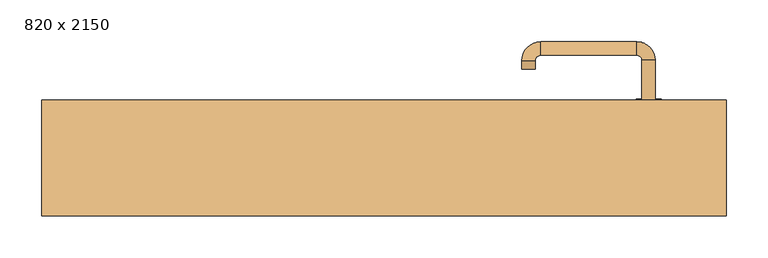
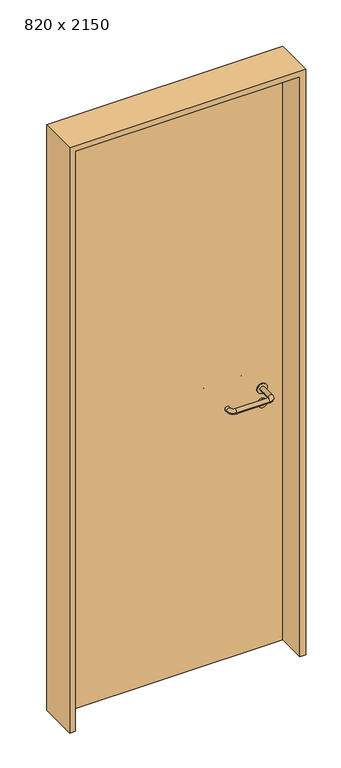
"""IFC4 building model written with IfcOpenShell, lengths in millimetres: door geometry, 820 x 2150."""

import ifcopenshell
import ifcopenshell.guid

model = None  # the IFC model being written
_history = None  # IfcOwnerHistory: only IFC2X3 demands one
_inside = {}  # id of a spatial element -> (the spatial element, [elements in it])
_under = {}  # id of a project, library or spatial element -> (it, [spatial elements below it])
_declared = {}  # id of a project -> (the project, [libraries it declares])
_typed = {}  # id of a type object -> (the type object, [elements of that type])
_made_of = {}  # id of a material, layer set ... -> (it, [elements and type objects made of it])


def new_model(schema):
    """Start an empty IFC model of exactly this schema.

    Asked for "IFC4X3", IfcOpenShell would pick the latest addendum, in which some entities
    have other attributes; the version numbers below select the first issue.
    IFC2X3 requires an IfcOwnerHistory on every rooted entity: one is made here for all.
    """
    global model, _history
    if schema == "IFC4X3":
        model = ifcopenshell.file(schema_version=(4, 3, 0, 0))
    else:
        model = ifcopenshell.file(schema=schema)
    _inside.clear()
    _under.clear()
    _declared.clear()
    _typed.clear()
    _made_of.clear()
    _history = None
    if model.schema == "IFC2X3":
        org = make("IfcOrganization", Name="unknown")
        user = make(
            "IfcPersonAndOrganization",
            ThePerson=make("IfcPerson", FamilyName="unknown"),
            TheOrganization=org,
        )
        app = make(
            "IfcApplication",
            ApplicationDeveloper=org,
            Version="unknown",
            ApplicationFullName="unknown",
            ApplicationIdentifier="unknown",
        )
        _history = make(
            "IfcOwnerHistory",
            OwningUser=user,
            OwningApplication=app,
            ChangeAction="ADDED",
            CreationDate=0,
        )
    return model


def make(cls, **values):
    """One entity of the class cls with the attributes given. An attribute that is None is left unset."""
    return model.create_entity(
        cls, **{name: value for name, value in values.items() if value is not None}
    )


def rooted(cls, **values):
    """An entity with a GlobalId (a new one), such as an element, a storey or a relation."""
    return make(cls, GlobalId=ifcopenshell.guid.new(), OwnerHistory=_history, **values)


def si_unit(unit_type, name, prefix=None):
    """IfcSIUnit, for example si_unit("LENGTHUNIT", "METRE", prefix="MILLI")."""
    return make("IfcSIUnit", UnitType=unit_type, Prefix=prefix, Name=name)


def assignment(units):
    """IfcUnitAssignment: the units of a project."""
    return None if units is None else make("IfcUnitAssignment", Units=units)


def point(xyz):
    """IfcCartesianPoint."""
    return None if xyz is None else make("IfcCartesianPoint", Coordinates=xyz)


def direction(xyz):
    """IfcDirection."""
    return None if xyz is None else make("IfcDirection", DirectionRatios=xyz)


def frame(location, z_axis=None, x_axis=None):
    """IfcAxis2Placement3D, a coordinate frame: its origin and axes. An axis left out is left unset."""
    return make(
        "IfcAxis2Placement3D",
        Location=point(location),
        Axis=direction(z_axis),
        RefDirection=direction(x_axis),
    )


def frame_2d(location, x_axis=None):
    """IfcAxis2Placement2D, a coordinate frame in the plane: its origin and x axis."""
    return make(
        "IfcAxis2Placement2D", Location=point(location), RefDirection=direction(x_axis)
    )


def origin():
    """The frame at (0, 0, 0) with its axes left unset."""
    return frame((0.0, 0.0, 0.0))


def origin_with_axes():
    """The frame at (0, 0, 0) with the z axis (0, 0, 1) and the x axis (1, 0, 0) written out."""
    return frame((0.0, 0.0, 0.0), z_axis=(0.0, 0.0, 1.0), x_axis=(1.0, 0.0, 0.0))


def place(relative_to, where):
    """IfcLocalPlacement: puts the frame where relative to a parent placement (None: the world)."""
    return make(
        "IfcLocalPlacement", PlacementRelTo=relative_to, RelativePlacement=where
    )


def context(
    kind, dimensions, precision=None, world=None, true_north=None, identifier=None
):
    """IfcGeometricRepresentationContext, for example the 3D "Model" context."""
    return make(
        "IfcGeometricRepresentationContext",
        ContextIdentifier=identifier,
        ContextType=kind,
        CoordinateSpaceDimension=dimensions,
        Precision=precision,
        WorldCoordinateSystem=world,
        TrueNorth=true_north,
    )


def project(units=None, contexts=None):
    """IfcProject with its units and contexts."""
    return rooted(
        "IfcProject",
        Name="project",
        RepresentationContexts=contexts,
        UnitsInContext=assignment(units),
    )


def spatial(cls, under=None, at=None, **own):
    """A site, building, storey or space (cls), placed at a placement, below another one or the project."""
    s = rooted(cls, ObjectPlacement=at, **own)
    if under is not None:
        _under.setdefault(under.id(), (under, []))[1].append(s)
    return s


def polyline(points):
    """IfcPolyline through the points."""
    return make("IfcPolyline", Points=[point(p) for p in points])


def circle_curve(where, radius):
    """IfcCircle in the frame where."""
    return make("IfcCircle", Position=where, Radius=radius)


def ellipse_curve(where, semi_axis1, semi_axis2):
    """IfcEllipse in the frame where."""
    return make(
        "IfcEllipse", Position=where, SemiAxis1=semi_axis1, SemiAxis2=semi_axis2
    )


def trimmed(basis, trim1, trim2, sense, master):
    """IfcTrimmedCurve: the piece of a basis curve between two trims."""
    return make(
        "IfcTrimmedCurve",
        BasisCurve=basis,
        Trim1=trim1,
        Trim2=trim2,
        SenseAgreement=sense,
        MasterRepresentation=master,
    )


def segment(curve, same_sense, transition):
    """IfcCompositeCurveSegment."""
    return make(
        "IfcCompositeCurveSegment",
        Transition=transition,
        SameSense=same_sense,
        ParentCurve=curve,
    )


def composite_curve(segments, self_intersect=None):
    """IfcCompositeCurve: segments joined end to end."""
    return make("IfcCompositeCurve", Segments=segments, SelfIntersect=self_intersect)


def outline(outer, holes=None, kind="AREA"):
    """IfcArbitraryClosedProfileDef: a profile drawn as a closed curve; with holes, ...WithVoids."""
    if holes is None:
        return make("IfcArbitraryClosedProfileDef", ProfileType=kind, OuterCurve=outer)
    return make(
        "IfcArbitraryProfileDefWithVoids",
        ProfileType=kind,
        OuterCurve=outer,
        InnerCurves=holes,
    )


def extrude(swept, where, along, depth):
    """IfcExtrudedAreaSolid: the profile swept, set in the frame where, extruded along a direction by depth."""
    return make(
        "IfcExtrudedAreaSolid",
        SweptArea=swept,
        Position=where,
        ExtrudedDirection=direction(along),
        Depth=depth,
    )


def shape(context_of_items, identifier, shape_type, items):
    """IfcShapeRepresentation: the items that make up one representation, for example the "Body"."""
    return make(
        "IfcShapeRepresentation",
        ContextOfItems=context_of_items,
        RepresentationIdentifier=identifier,
        RepresentationType=shape_type,
        Items=items,
    )


def source(mapping_origin, context_of_items, identifier, shape_type, items):
    """IfcRepresentationMap: a shape defined once, which mapped items show again and again."""
    return make(
        "IfcRepresentationMap",
        MappingOrigin=mapping_origin,
        MappedRepresentation=shape(context_of_items, identifier, shape_type, items),
    )


def transform(
    local_origin,
    x_axis=None,
    y_axis=None,
    z_axis=None,
    scale=None,
    scale2=None,
    scale3=None,
    uniform=True,
):
    """IfcCartesianTransformationOperator3D, or its non-uniform kind. x_axis, y_axis, z_axis: its Axis1, 2, 3."""
    if uniform:
        return make(
            "IfcCartesianTransformationOperator3D",
            Axis1=direction(x_axis),
            Axis2=direction(y_axis),
            LocalOrigin=point(local_origin),
            Scale=scale,
            Axis3=direction(z_axis),
        )
    return make(
        "IfcCartesianTransformationOperator3DnonUniform",
        Axis1=direction(x_axis),
        Axis2=direction(y_axis),
        LocalOrigin=point(local_origin),
        Scale=scale,
        Axis3=direction(z_axis),
        Scale2=scale2,
        Scale3=scale3,
    )


def mapped(mapping_source, mapping_target):
    """IfcMappedItem: shows the shape of a source again, moved by a transform."""
    return make(
        "IfcMappedItem", MappingSource=mapping_source, MappingTarget=mapping_target
    )


def made_of(thing, what):
    """Note that an element or type object is made of a material, layer set ...; save() writes the relation."""
    if what is not None:
        _made_of.setdefault(what.id(), (what, []))[1].append(thing)
    return thing


def element(
    cls,
    number,
    at=None,
    inside=None,
    cuts=None,
    type_object=None,
    material=None,
    context=None,
    identifier="Body",
    shape_type=None,
    held_by="IfcProductDefinitionShape",
    body=None,
    shapes=None,
    **own,
):
    """One element of the class cls, such as IfcWall. Its Tag is "e" and its number.

    at: its placement. inside: the storey or other place that contains it. cuts: it is an
    opening in that element (IfcRelVoidsElement). A single representation is given by context,
    identifier, shape_type and body (its items); several are given by shapes. held_by: the class
    of the entity that holds the representations. save() writes the other relations.
    """
    e = rooted(cls, Tag="e%d" % number, ObjectPlacement=at, **own)
    if body is not None:
        shapes = [shape(context, identifier, shape_type, body)]
    if shapes is not None:
        e.Representation = make(held_by, Representations=shapes)
    if inside is not None:
        _inside.setdefault(inside.id(), (inside, []))[1].append(e)
    if cuts is not None:
        rooted(
            "IfcRelVoidsElement", RelatingBuildingElement=cuts, RelatedOpeningElement=e
        )
    if type_object is not None:
        _typed.setdefault(type_object.id(), (type_object, []))[1].append(e)
    return made_of(e, material)


def aggregate(whole, parts):
    """IfcRelAggregates: a whole, such as a stair, and the parts it consists of."""
    return rooted("IfcRelAggregates", RelatingObject=whole, RelatedObjects=parts)


def save(model, path):
    """Write the relations noted so far, then the file.

    IfcRelAggregates (storeys below a building ...), IfcRelContainedInSpatialStructure (elements
    in a storey), IfcRelDefinesByType, IfcRelAssociatesMaterial and IfcRelDeclares: one each for
    every whole, place, type object, material and project.
    """
    for whole, parts in _under.values():
        aggregate(whole, parts)
    for where, things in _inside.values():
        rooted(
            "IfcRelContainedInSpatialStructure",
            RelatedElements=things,
            RelatingStructure=where,
        )
    for kind, things in _typed.values():
        rooted("IfcRelDefinesByType", RelatedObjects=things, RelatingType=kind)
    for what, things in _made_of.values():
        rooted("IfcRelAssociatesMaterial", RelatedObjects=things, RelatingMaterial=what)
    for by, libraries in _declared.values():
        rooted("IfcRelDeclares", RelatingContext=by, RelatedDefinitions=libraries)
    model.write(path)


def plane_surface(at):
    """IfcPlane: the flat surface through the origin of the frame at, square to its z axis."""
    return make("IfcPlane", Position=at)


def cylinder_surface(at, radius):
    """IfcCylindricalSurface: all points at the distance radius from the z axis of the frame at."""
    return make("IfcCylindricalSurface", Position=at, Radius=radius)


def revolved_surface(curve, axis_point, axis_direction):
    """IfcSurfaceOfRevolution: the curve turned about the line through axis_point along axis_direction."""
    return make(
        "IfcSurfaceOfRevolution",
        SweptCurve=make("IfcArbitraryOpenProfileDef", ProfileType="CURVE", Curve=curve),
        AxisPosition=make("IfcAxis1Placement", Location=point(axis_point), Axis=direction(axis_direction)),
    )


def advanced_brep(points, edges, surfaces, faces):
    """IfcAdvancedBrep: a solid bounded by faces that lie on surfaces and meet in shared edges.

    An edge is (start, end): straight between two places in points (the first is 0);
    or (start, end, curve); or (start, end, curve, False) where it runs against its curve.
    A face is (place in surfaces, loops), or (place, loops, False) where it looks against
    its surface's normal. A loop lists edges by number (the first is 1), with a minus sign
    where the edge is run from its end to its start. The first loop is the outer one.
    """
    corners = [point(p) for p in points]
    vertices = [make("IfcVertexPoint", VertexGeometry=c) for c in corners]
    made = []
    for start, end, *more in edges:
        made.append(
            make(
                "IfcEdgeCurve",
                EdgeStart=vertices[start],
                EdgeEnd=vertices[end],
                EdgeGeometry=more[0] if more else make("IfcPolyline", Points=[corners[start], corners[end]]),
                SameSense=more[1] if len(more) > 1 else True,
            )
        )
    hull = []
    for where, loops, *sense in faces:
        bounds = []
        for j, loop in enumerate(loops):
            ring = [make("IfcOrientedEdge", EdgeElement=made[abs(k) - 1], Orientation=k > 0) for k in loop]
            bounds.append(
                make(
                    "IfcFaceOuterBound" if j == 0 else "IfcFaceBound",
                    Bound=make("IfcEdgeLoop", EdgeList=ring),
                    Orientation=True,
                )
            )
        hull.append(make("IfcAdvancedFace", Bounds=bounds, FaceSurface=surfaces[where], SameSense=sense[0] if sense else True))
    return make("IfcAdvancedBrep", Outer=make("IfcClosedShell", CfsFaces=hull))


def door_820_x_2150_dbe8666d(model_context):
    return source(origin(), model_context, "Body", "SolidModel", [
        extrude(outline(composite_curve([segment(trimmed(circle_curve(frame_2d((897.3605726, 317.0)), 15.0), [point((897.3605726, 332.0))], [point((897.3605726, 302.0))], False, "CARTESIAN"), True, "CONTINUOUS"), segment(trimmed(circle_curve(frame_2d((897.3605726, 317.0)), 15.0), [point((897.3605726, 302.0))], [point((897.3605726, 332.0))], False, "CARTESIAN"), True, "CONTINUOUS")], self_intersect=False), holes=[composite_curve([segment(trimmed(circle_curve(frame_2d((892.5833211, 316.9398032)), 2.0), [point((892.5833211, 318.9398032))], [point((892.5833211, 314.9398032))], True, "CARTESIAN"), True, "CONTINUOUS"), segment(polyline([(892.5833211, 314.9398032), (902.5833211, 314.9398032)]), True, "CONTINUOUS"), segment(trimmed(circle_curve(frame_2d((902.5833211, 316.9398032)), 2.0), [point((902.5833211, 314.9398032))], [point((902.5833211, 318.9398032))], True, "CARTESIAN"), True, "CONTINUOUS"), segment(polyline([(902.5833211, 318.9398032), (892.5833211, 318.9398032)]), True, "CONTINUOUS")], self_intersect=False)]), frame((0.0, 28.65, 0.0), z_axis=(0.0, 1.0, 0.0), x_axis=(0.0, 0.0, 1.0)), (0.0, 0.0, 1.0), 6.35),
        extrude(outline(composite_curve([segment(trimmed(circle_curve(frame_2d((950.0, 317.0)), 17.526), [point((950.0, 334.526))], [point((950.0, 299.474))], False, "CARTESIAN"), True, "CONTINUOUS"), segment(trimmed(circle_curve(frame_2d((950.0, 317.0)), 17.526), [point((950.0, 299.474))], [point((950.0, 334.526))], False, "CARTESIAN"), True, "CONTINUOUS")], self_intersect=False)), frame((0.0, 31.825, 0.0), z_axis=(0.0, 1.0, 0.0), x_axis=(0.0, 0.0, 1.0)), (0.0, 0.0, 1.0), 3.175),
        advanced_brep(
        [(325.0, 35.0, 950.0), (309.0, 35.0, 950.0), (309.0, -18.0, 950.0), (325.0, -18.0, 950.0), (302.8578644, -24.1421356, 950.0), (302.8578644, -40.1421356, 950.0), (187.8578644, -24.1421356, 950.0), (187.8578644, -40.1421356, 950.0), (181.008622, -17.2928932, 950.0), (165.008622, -17.2928932, 950.0), (165.008622, -7.2928932, 950.0), (181.008622, -7.2928932, 950.0)],
        [
            (0, 1, circle_curve(frame((317.0, 35.0, 950.0), z_axis=(0.0, 1.0, 0.0), x_axis=(-1.0, 0.0, 0.0)), 8.0)),
            (1, 0, circle_curve(frame((317.0, 35.0, 950.0), z_axis=(0.0, 1.0, 0.0), x_axis=(-1.0, 0.0, 0.0)), 8.0)),
            (1, 2),
            (2, 3, circle_curve(frame((317.0, -18.0, 950.0), z_axis=(0.0, 1.0, 0.0), x_axis=(-1.0, 0.0, 0.0)), 8.0)),
            (3, 0),
            (3, 2, circle_curve(frame((317.0, -18.0, 950.0), z_axis=(0.0, 1.0, 0.0), x_axis=(-1.0, 0.0, 0.0)), 8.0)),
            (4, 5, circle_curve(frame((302.8578644, -32.1421356, 950.0), z_axis=(1.0, 0.0, 0.0), x_axis=(0.0, 1.0, 0.0)), 8.0)),
            (5, 3, circle_curve(frame((302.8578644, -18.0, 950.0), z_axis=(0.0, 0.0, 1.0), x_axis=(1.0, 0.0, 0.0)), 22.1421356)),
            (2, 4, circle_curve(frame((302.8578644, -18.0, 950.0), z_axis=(0.0, 0.0, -1.0), x_axis=(1.0, 0.0, 0.0)), 6.1421356)),
            (5, 4, circle_curve(frame((302.8578644, -32.1421356, 950.0), z_axis=(1.0, 0.0, 0.0), x_axis=(0.0, 1.0, 0.0)), 8.0)),
            (4, 6),
            (6, 7, circle_curve(frame((187.8578644, -32.1421356, 950.0), z_axis=(1.0, 0.0, 0.0), x_axis=(0.0, 1.0, 0.0)), 8.0)),
            (7, 5),
            (7, 6, circle_curve(frame((187.8578644, -32.1421356, 950.0), z_axis=(1.0, 0.0, 0.0), x_axis=(0.0, 1.0, 0.0)), 8.0)),
            (8, 9, circle_curve(frame((173.008622, -17.2928932, 950.0), z_axis=(0.0, -1.0, 0.0), x_axis=(1.0, 0.0, 0.0)), 8.0)),
            (9, 7, circle_curve(frame((187.8578644, -17.2928932, 950.0), z_axis=(0.0, 0.0, 1.0), x_axis=(0.0, -1.0, 0.0)), 22.8492424)),
            (6, 8, circle_curve(frame((187.8578644, -17.2928932, 950.0), z_axis=(0.0, 0.0, -1.0), x_axis=(0.0, -1.0, 0.0)), 6.8492424)),
            (9, 8, circle_curve(frame((173.008622, -17.2928932, 950.0), z_axis=(0.0, -1.0, 0.0), x_axis=(1.0, 0.0, 0.0)), 8.0)),
            (10, 11, circle_curve(frame((173.008622, -7.2928932, 950.0), z_axis=(0.0, 1.0, 0.0), x_axis=(1.0, 0.0, 0.0)), 8.0)),
            (11, 10, circle_curve(frame((173.008622, -7.2928932, 950.0), z_axis=(0.0, 1.0, 0.0), x_axis=(1.0, 0.0, 0.0)), 8.0)),
            (8, 11),
            (10, 9),
        ],
        [
            plane_surface(frame((317.0, 35.0, 0.0), z_axis=(0.0, 1.0, 0.0), x_axis=(0.0, 0.0, 1.0))),
            cylinder_surface(frame((317.0, 35.0, 950.0), z_axis=(0.0, 1.0, 0.0), x_axis=(-1.0, 0.0, 0.0)), 8.0),
            revolved_surface(trimmed(ellipse_curve(frame((317.0, -18.0, 950.0), z_axis=(0.0, -1.0, 0.0), x_axis=(-1.0, 0.0, 0.0)), 8.0, 8.0), [point((325.0, -18.0, 950.0))], [point((309.0, -18.0, 950.0))], True, "CARTESIAN"), (302.8578644, -18.0, 0.0), (0.0, 0.0, 1.0)),
            revolved_surface(trimmed(ellipse_curve(frame((317.0, -18.0, 950.0), z_axis=(0.0, -1.0, 0.0), x_axis=(-1.0, 0.0, 0.0)), 8.0, 8.0), [point((309.0, -18.0, 950.0))], [point((325.0, -18.0, 950.0))], True, "CARTESIAN"), (302.8578644, -18.0, 0.0), (0.0, 0.0, 1.0)),
            cylinder_surface(frame((302.8578644, -32.1421356, 950.0), z_axis=(1.0, 0.0, 0.0), x_axis=(0.0, 1.0, 0.0)), 8.0),
            revolved_surface(trimmed(ellipse_curve(frame((187.8578644, -32.1421356, 950.0), z_axis=(-1.0, 0.0, 0.0), x_axis=(0.0, 1.0, 0.0)), 8.0, 8.0), [point((187.8578644, -40.1421356, 950.0))], [point((187.8578644, -24.1421356, 950.0))], True, "CARTESIAN"), (187.8578644, -17.2928932, 0.0), (0.0, 0.0, 1.0)),
            revolved_surface(trimmed(ellipse_curve(frame((187.8578644, -32.1421356, 950.0), z_axis=(-1.0, 0.0, 0.0), x_axis=(0.0, 1.0, 0.0)), 8.0, 8.0), [point((187.8578644, -24.1421356, 950.0))], [point((187.8578644, -40.1421356, 950.0))], True, "CARTESIAN"), (187.8578644, -17.2928932, 0.0), (0.0, 0.0, 1.0)),
            plane_surface(frame((173.008622, -7.2928932, 0.0), z_axis=(0.0, 1.0, 0.0), x_axis=(0.0, 0.0, 1.0))),
            cylinder_surface(frame((173.008622, -17.2928932, 950.0), z_axis=(0.0, -1.0, 0.0), x_axis=(1.0, 0.0, 0.0)), 8.0),
        ],
        [
            (0, [[1, 2]]),
            (1, [[3, 4, 5, -2]]),
            (1, [[-5, 6, -3, -1]]),
            (2, [[7, 8, -4, 9]]),
            (3, [[10, -9, -6, -8]]),
            (4, [[11, 12, 13, -7]]),
            (4, [[-13, 14, -11, -10]]),
            (5, [[15, 16, -12, 17]]),
            (6, [[18, -17, -14, -16]]),
            (7, [[19, 20]]),
            (8, [[21, -19, 22, -15]]),
            (8, [[-22, -20, -21, -18]]),
        ],
    ),
        extrude(outline(composite_curve([segment(trimmed(circle_curve(frame_2d((0.0, -15.0)), 15.0), [point((0.0, -30.0))], [point((0.0, 0.0))], False, "CARTESIAN"), True, "CONTINUOUS"), segment(trimmed(circle_curve(frame_2d((0.0, -15.0)), 15.0), [point((0.0, 0.0))], [point((0.0, -30.0))], False, "CARTESIAN"), True, "CONTINUOUS")], self_intersect=False), holes=[composite_curve([segment(trimmed(circle_curve(frame_2d((4.7772515, -14.9398032)), 2.0), [point((4.7772515, -16.9398032))], [point((4.7772515, -12.9398032))], True, "CARTESIAN"), True, "CONTINUOUS"), segment(polyline([(4.7772515, -12.9398032), (-5.2227485, -12.9398032)]), True, "CONTINUOUS"), segment(trimmed(circle_curve(frame_2d((-5.2227485, -14.9398032)), 2.0), [point((-5.2227485, -12.9398032))], [point((-5.2227485, -16.9398032))], True, "CARTESIAN"), True, "CONTINUOUS"), segment(polyline([(-5.2227485, -16.9398032), (4.7772515, -16.9398032)]), True, "CONTINUOUS")], self_intersect=False)]), frame((302.0, 65.0, 897.3605726), z_axis=(1.8870575173328306e-12, 1.0, 0.0), x_axis=(0.0, 0.0, -1.0)), (0.0, 0.0, 1.0), 6.35),
        extrude(outline(composite_curve([segment(trimmed(circle_curve(frame_2d((0.0, -17.526)), 17.526), [point((0.0, -35.052))], [point((0.0, 0.0))], False, "CARTESIAN"), True, "CONTINUOUS"), segment(trimmed(circle_curve(frame_2d((0.0, -17.526)), 17.526), [point((0.0, 0.0))], [point((0.0, -35.052))], False, "CARTESIAN"), True, "CONTINUOUS")], self_intersect=False)), frame((299.474, 65.0, 950.0), z_axis=(1.8870575173328306e-12, 1.0, 0.0), x_axis=(0.0, 0.0, -1.0)), (0.0, 0.0, 1.0), 3.175),
        advanced_brep(
        [(325.0, 65.0, 950.0), (309.0, 65.0, 950.0), (325.0, 118.0, 950.0), (309.0, 118.0, 950.0), (302.8578644, 124.1421356, 950.0), (302.8578644, 140.1421356, 950.0), (187.8578644, 140.1421356, 950.0), (187.8578644, 124.1421356, 950.0), (181.008622, 117.2928932, 950.0), (165.008622, 117.2928932, 950.0), (165.008622, 107.2928932, 950.0), (181.008622, 107.2928932, 950.0)],
        [
            (0, 1, circle_curve(frame((317.0, 65.0, 950.0), z_axis=(-1.888672253512351e-12, -1.0, 0.0), x_axis=(-1.0, 1.888672253512351e-12, 0.0)), 8.0)),
            (1, 0, circle_curve(frame((317.0, 65.0, 950.0), z_axis=(-1.888672253512351e-12, -1.0, 0.0), x_axis=(-1.0, 1.888672253512351e-12, 0.0)), 8.0)),
            (0, 2),
            (2, 3, circle_curve(frame((317.0, 118.0, 950.0), z_axis=(-1.888672253512351e-12, -1.0, 0.0), x_axis=(-1.0, 1.888672253512351e-12, 0.0)), 8.0)),
            (3, 1),
            (3, 2, circle_curve(frame((317.0, 118.0, 950.0), z_axis=(-1.888672253512351e-12, -1.0, 0.0), x_axis=(-1.0, 1.888672253512351e-12, 0.0)), 8.0)),
            (4, 3, circle_curve(frame((302.8578644, 118.0, 950.0), z_axis=(0.0, 0.0, -1.0), x_axis=(1.0, -1.880717803715015e-12, 0.0)), 6.1421356)),
            (2, 5, circle_curve(frame((302.8578644, 118.0, 950.0), z_axis=(0.0, 0.0, 1.0), x_axis=(1.0, -1.880717803715015e-12, 0.0)), 22.1421356)),
            (5, 4, circle_curve(frame((302.8578644, 132.1421356, 950.0), z_axis=(1.0, -1.913702061528922e-12, 0.0), x_axis=(-1.913702061528922e-12, -1.0, 0.0)), 8.0)),
            (4, 5, circle_curve(frame((302.8578644, 132.1421356, 950.0), z_axis=(1.0, -1.913702061528922e-12, 0.0), x_axis=(-1.913702061528922e-12, -1.0, 0.0)), 8.0)),
            (5, 6),
            (6, 7, circle_curve(frame((187.8578644, 132.1421356, 950.0), z_axis=(1.0, -1.913719828541269e-12, 0.0), x_axis=(-1.913719828541269e-12, -1.0, 0.0)), 8.0)),
            (7, 4),
            (7, 6, circle_curve(frame((187.8578644, 132.1421356, 950.0), z_axis=(1.0, -1.913719828541269e-12, 0.0), x_axis=(-1.913719828541269e-12, -1.0, 0.0)), 8.0)),
            (8, 7, circle_curve(frame((187.8578644, 117.2928932, 950.0), z_axis=(0.0, 0.0, -1.0), x_axis=(1.9120873253494017e-12, 1.0, 0.0)), 6.8492424)),
            (6, 9, circle_curve(frame((187.8578644, 117.2928932, 950.0), z_axis=(0.0, 0.0, 1.0), x_axis=(1.9120873253494017e-12, 1.0, 0.0)), 22.8492424)),
            (9, 8, circle_curve(frame((173.008622, 117.2928932, 950.0), z_axis=(1.890448610351751e-12, 1.0, 0.0), x_axis=(1.0, -1.890448610351751e-12, 0.0)), 8.0)),
            (8, 9, circle_curve(frame((173.008622, 117.2928932, 950.0), z_axis=(1.8888942981172756e-12, 1.0, 0.0), x_axis=(1.0, -1.8888942981172756e-12, 0.0)), 8.0)),
            (10, 11, circle_curve(frame((173.008622, 107.2928932, 950.0), z_axis=(-1.8903642334018795e-12, -1.0, 0.0), x_axis=(1.0, -1.8903642334018795e-12, 0.0)), 8.0)),
            (11, 10, circle_curve(frame((173.008622, 107.2928932, 950.0), z_axis=(-1.8903642334018795e-12, -1.0, 0.0), x_axis=(1.0, -1.8903642334018795e-12, 0.0)), 8.0)),
            (9, 10),
            (11, 8),
        ],
        [
            plane_surface(frame((317.0, 65.0, 0.0), z_axis=(-1.8870575173328306e-12, -1.0, 0.0), x_axis=(0.0, 0.0, 1.0))),
            cylinder_surface(frame((317.0, 65.0, 950.0), z_axis=(-1.888672253512351e-12, -1.0, 0.0), x_axis=(-1.0, 1.888672253512351e-12, 0.0)), 8.0),
            revolved_surface(trimmed(ellipse_curve(frame((317.0, 118.0, 950.0), z_axis=(-1.8823325398945356e-12, -1.0, 0.0), x_axis=(-1.0, 1.8823325398945356e-12, 0.0)), 8.0, 8.0), [point((325.0, 118.0, 950.0))], [point((309.0, 118.0, 950.0))], True, "CARTESIAN"), (302.8578644, 118.0, 0.0), (0.0, 0.0, 1.0)),
            revolved_surface(trimmed(ellipse_curve(frame((317.0, 118.0, 950.0), z_axis=(-1.8823325398945356e-12, -1.0, 0.0), x_axis=(-1.0, 1.8823325398945356e-12, 0.0)), 8.0, 8.0), [point((309.0, 118.0, 950.0))], [point((325.0, 118.0, 950.0))], True, "CARTESIAN"), (302.8578644, 118.0, 0.0), (0.0, 0.0, 1.0)),
            cylinder_surface(frame((302.8578644, 132.1421356, 950.0), z_axis=(1.0, -1.913719828541269e-12, 0.0), x_axis=(-1.913719828541269e-12, -1.0, 0.0)), 8.0),
            revolved_surface(trimmed(ellipse_curve(frame((187.8578644, 132.1421356, 950.0), z_axis=(1.0, -1.913702061528922e-12, 0.0), x_axis=(-1.913702061528922e-12, -1.0, 0.0)), 8.0, 8.0), [point((187.8578644, 140.1421356, 950.0))], [point((187.8578644, 124.1421356, 950.0))], True, "CARTESIAN"), (187.8578644, 117.2928932, 0.0), (0.0, 0.0, 1.0)),
            revolved_surface(trimmed(ellipse_curve(frame((187.8578644, 132.1421356, 950.0), z_axis=(1.0, -1.913702061528922e-12, 0.0), x_axis=(-1.913702061528922e-12, -1.0, 0.0)), 8.0, 8.0), [point((187.8578644, 124.1421356, 950.0))], [point((187.8578644, 140.1421356, 950.0))], True, "CARTESIAN"), (187.8578644, 117.2928932, 0.0), (0.0, 0.0, 1.0)),
            plane_surface(frame((173.008622, 107.2928932, 0.0), z_axis=(-1.8887494972223595e-12, -1.0, 0.0), x_axis=(0.0, 0.0, 1.0))),
            cylinder_surface(frame((173.008622, 117.2928932, 950.0), z_axis=(1.8903642334018795e-12, 1.0, 0.0), x_axis=(1.0, -1.8903642334018795e-12, 0.0)), 8.0),
        ],
        [
            (0, [[1, 2]]),
            (1, [[-1, 3, 4, 5]]),
            (1, [[-2, -5, 6, -3]]),
            (2, [[7, -4, 8, 9]]),
            (3, [[-8, -6, -7, 10]]),
            (4, [[-9, 11, 12, 13]]),
            (4, [[-10, -13, 14, -11]]),
            (5, [[15, -12, 16, 17]]),
            (6, [[-16, -14, -15, 18]]),
            (7, [[19, 20]]),
            (8, [[-17, 21, -20, 22]]),
            (8, [[-18, -22, -19, -21]]),
        ],
    ),
        extrude(outline(polyline([(2130.0, 390.0), (0.0, 390.0), (0.0, 410.0), (2150.0, 410.0), (2150.0, -410.0), (0.0, -410.0), (0.0, -390.0), (2130.0, -390.0), (2130.0, 390.0)])), frame((0.0, -69.0, 0.0), z_axis=(0.0, 1.0, 0.0), x_axis=(0.0, 0.0, 1.0)), (0.0, 0.0, 1.0), 139.0),
        extrude(outline(polyline([(-390.0, 65.0), (390.0, 65.0), (390.0, 35.0), (-390.0, 35.0), (-390.0, 65.0)])), origin_with_axes(), (0.0, 0.0, 1.0), 2130.0),
    ])


if __name__ == "__main__":
    model = new_model("IFC4")
    model_context = context("Model", 3, world=origin())
    ifc_project = project(units=[si_unit("LENGTHUNIT", "METRE", prefix="MILLI")], contexts=[model_context])
    site = spatial("IfcSite", under=ifc_project)
    building = spatial("IfcBuilding", under=site)
    placement = place(None, origin())
    door_820_x_2150_shape = door_820_x_2150_dbe8666d(model_context)
    element("IfcDoor", 1, ObjectType="820 x 2150", at=placement, inside=building, context=model_context, shape_type="MappedRepresentation", body=[
        mapped(door_820_x_2150_shape, transform((0.0, 0.0, 0.0), x_axis=(1.0, 0.0, 0.0), y_axis=(0.0, 1.0, 0.0), z_axis=(0.0, 0.0, 1.0))),
    ])
    save(model, "model.ifc")
